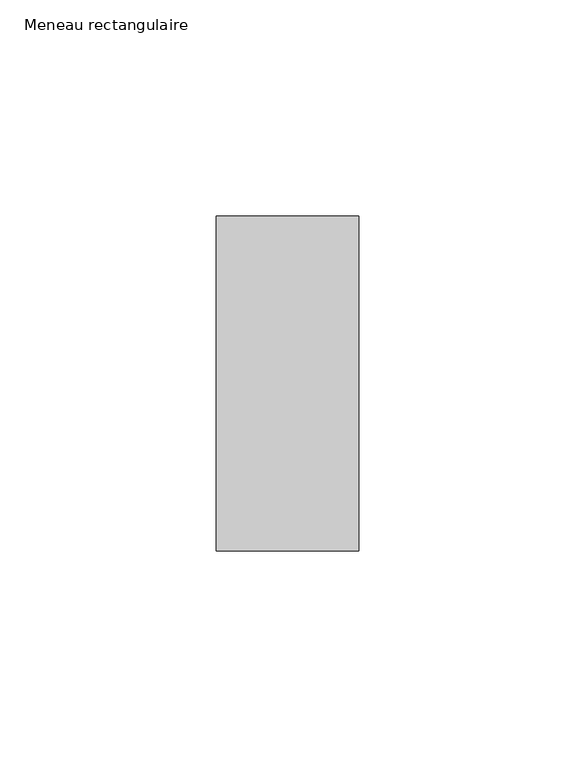
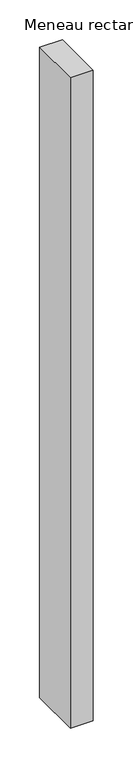
"""IFC4 building model written with IfcOpenShell, lengths in millimetres: member geometry, Meneau rectangulaire."""

import ifcopenshell
import ifcopenshell.guid

model = None  # the IFC model being written
_history = None  # IfcOwnerHistory: only IFC2X3 demands one
_inside = {}  # id of a spatial element -> (the spatial element, [elements in it])
_under = {}  # id of a project, library or spatial element -> (it, [spatial elements below it])
_declared = {}  # id of a project -> (the project, [libraries it declares])
_typed = {}  # id of a type object -> (the type object, [elements of that type])
_made_of = {}  # id of a material, layer set ... -> (it, [elements and type objects made of it])


def new_model(schema):
    """Start an empty IFC model of exactly this schema.

    Asked for "IFC4X3", IfcOpenShell would pick the latest addendum, in which some entities
    have other attributes; the version numbers below select the first issue.
    IFC2X3 requires an IfcOwnerHistory on every rooted entity: one is made here for all.
    """
    global model, _history
    if schema == "IFC4X3":
        model = ifcopenshell.file(schema_version=(4, 3, 0, 0))
    else:
        model = ifcopenshell.file(schema=schema)
    _inside.clear()
    _under.clear()
    _declared.clear()
    _typed.clear()
    _made_of.clear()
    _history = None
    if model.schema == "IFC2X3":
        org = make("IfcOrganization", Name="unknown")
        user = make(
            "IfcPersonAndOrganization",
            ThePerson=make("IfcPerson", FamilyName="unknown"),
            TheOrganization=org,
        )
        app = make(
            "IfcApplication",
            ApplicationDeveloper=org,
            Version="unknown",
            ApplicationFullName="unknown",
            ApplicationIdentifier="unknown",
        )
        _history = make(
            "IfcOwnerHistory",
            OwningUser=user,
            OwningApplication=app,
            ChangeAction="ADDED",
            CreationDate=0,
        )
    return model


def make(cls, **values):
    """One entity of the class cls with the attributes given. An attribute that is None is left unset."""
    return model.create_entity(
        cls, **{name: value for name, value in values.items() if value is not None}
    )


def rooted(cls, **values):
    """An entity with a GlobalId (a new one), such as an element, a storey or a relation."""
    return make(cls, GlobalId=ifcopenshell.guid.new(), OwnerHistory=_history, **values)


def si_unit(unit_type, name, prefix=None):
    """IfcSIUnit, for example si_unit("LENGTHUNIT", "METRE", prefix="MILLI")."""
    return make("IfcSIUnit", UnitType=unit_type, Prefix=prefix, Name=name)


def assignment(units):
    """IfcUnitAssignment: the units of a project."""
    return None if units is None else make("IfcUnitAssignment", Units=units)


def point(xyz):
    """IfcCartesianPoint."""
    return None if xyz is None else make("IfcCartesianPoint", Coordinates=xyz)


def direction(xyz):
    """IfcDirection."""
    return None if xyz is None else make("IfcDirection", DirectionRatios=xyz)


def frame(location, z_axis=None, x_axis=None):
    """IfcAxis2Placement3D, a coordinate frame: its origin and axes. An axis left out is left unset."""
    return make(
        "IfcAxis2Placement3D",
        Location=point(location),
        Axis=direction(z_axis),
        RefDirection=direction(x_axis),
    )


def origin():
    """The frame at (0, 0, 0) with its axes left unset."""
    return frame((0.0, 0.0, 0.0))


def place(relative_to, where):
    """IfcLocalPlacement: puts the frame where relative to a parent placement (None: the world)."""
    return make(
        "IfcLocalPlacement", PlacementRelTo=relative_to, RelativePlacement=where
    )


def context(
    kind, dimensions, precision=None, world=None, true_north=None, identifier=None
):
    """IfcGeometricRepresentationContext, for example the 3D "Model" context."""
    return make(
        "IfcGeometricRepresentationContext",
        ContextIdentifier=identifier,
        ContextType=kind,
        CoordinateSpaceDimension=dimensions,
        Precision=precision,
        WorldCoordinateSystem=world,
        TrueNorth=true_north,
    )


def project(units=None, contexts=None):
    """IfcProject with its units and contexts."""
    return rooted(
        "IfcProject",
        Name="project",
        RepresentationContexts=contexts,
        UnitsInContext=assignment(units),
    )


def spatial(cls, under=None, at=None, **own):
    """A site, building, storey or space (cls), placed at a placement, below another one or the project."""
    s = rooted(cls, ObjectPlacement=at, **own)
    if under is not None:
        _under.setdefault(under.id(), (under, []))[1].append(s)
    return s


def polyline(points):
    """IfcPolyline through the points."""
    return make("IfcPolyline", Points=[point(p) for p in points])


def outline(outer, holes=None, kind="AREA"):
    """IfcArbitraryClosedProfileDef: a profile drawn as a closed curve; with holes, ...WithVoids."""
    if holes is None:
        return make("IfcArbitraryClosedProfileDef", ProfileType=kind, OuterCurve=outer)
    return make(
        "IfcArbitraryProfileDefWithVoids",
        ProfileType=kind,
        OuterCurve=outer,
        InnerCurves=holes,
    )


def extrude(swept, where, along, depth):
    """IfcExtrudedAreaSolid: the profile swept, set in the frame where, extruded along a direction by depth."""
    return make(
        "IfcExtrudedAreaSolid",
        SweptArea=swept,
        Position=where,
        ExtrudedDirection=direction(along),
        Depth=depth,
    )


def shape(context_of_items, identifier, shape_type, items):
    """IfcShapeRepresentation: the items that make up one representation, for example the "Body"."""
    return make(
        "IfcShapeRepresentation",
        ContextOfItems=context_of_items,
        RepresentationIdentifier=identifier,
        RepresentationType=shape_type,
        Items=items,
    )


def source(mapping_origin, context_of_items, identifier, shape_type, items):
    """IfcRepresentationMap: a shape defined once, which mapped items show again and again."""
    return make(
        "IfcRepresentationMap",
        MappingOrigin=mapping_origin,
        MappedRepresentation=shape(context_of_items, identifier, shape_type, items),
    )


def transform(
    local_origin,
    x_axis=None,
    y_axis=None,
    z_axis=None,
    scale=None,
    scale2=None,
    scale3=None,
    uniform=True,
):
    """IfcCartesianTransformationOperator3D, or its non-uniform kind. x_axis, y_axis, z_axis: its Axis1, 2, 3."""
    if uniform:
        return make(
            "IfcCartesianTransformationOperator3D",
            Axis1=direction(x_axis),
            Axis2=direction(y_axis),
            LocalOrigin=point(local_origin),
            Scale=scale,
            Axis3=direction(z_axis),
        )
    return make(
        "IfcCartesianTransformationOperator3DnonUniform",
        Axis1=direction(x_axis),
        Axis2=direction(y_axis),
        LocalOrigin=point(local_origin),
        Scale=scale,
        Axis3=direction(z_axis),
        Scale2=scale2,
        Scale3=scale3,
    )


def mapped(mapping_source, mapping_target):
    """IfcMappedItem: shows the shape of a source again, moved by a transform."""
    return make(
        "IfcMappedItem", MappingSource=mapping_source, MappingTarget=mapping_target
    )


def made_of(thing, what):
    """Note that an element or type object is made of a material, layer set ...; save() writes the relation."""
    if what is not None:
        _made_of.setdefault(what.id(), (what, []))[1].append(thing)
    return thing


def element(
    cls,
    number,
    at=None,
    inside=None,
    cuts=None,
    type_object=None,
    material=None,
    context=None,
    identifier="Body",
    shape_type=None,
    held_by="IfcProductDefinitionShape",
    body=None,
    shapes=None,
    **own,
):
    """One element of the class cls, such as IfcWall. Its Tag is "e" and its number.

    at: its placement. inside: the storey or other place that contains it. cuts: it is an
    opening in that element (IfcRelVoidsElement). A single representation is given by context,
    identifier, shape_type and body (its items); several are given by shapes. held_by: the class
    of the entity that holds the representations. save() writes the other relations.
    """
    e = rooted(cls, Tag="e%d" % number, ObjectPlacement=at, **own)
    if body is not None:
        shapes = [shape(context, identifier, shape_type, body)]
    if shapes is not None:
        e.Representation = make(held_by, Representations=shapes)
    if inside is not None:
        _inside.setdefault(inside.id(), (inside, []))[1].append(e)
    if cuts is not None:
        rooted(
            "IfcRelVoidsElement", RelatingBuildingElement=cuts, RelatedOpeningElement=e
        )
    if type_object is not None:
        _typed.setdefault(type_object.id(), (type_object, []))[1].append(e)
    return made_of(e, material)


def aggregate(whole, parts):
    """IfcRelAggregates: a whole, such as a stair, and the parts it consists of."""
    return rooted("IfcRelAggregates", RelatingObject=whole, RelatedObjects=parts)


def save(model, path):
    """Write the relations noted so far, then the file.

    IfcRelAggregates (storeys below a building ...), IfcRelContainedInSpatialStructure (elements
    in a storey), IfcRelDefinesByType, IfcRelAssociatesMaterial and IfcRelDeclares: one each for
    every whole, place, type object, material and project.
    """
    for whole, parts in _under.values():
        aggregate(whole, parts)
    for where, things in _inside.values():
        rooted(
            "IfcRelContainedInSpatialStructure",
            RelatedElements=things,
            RelatingStructure=where,
        )
    for kind, things in _typed.values():
        rooted("IfcRelDefinesByType", RelatedObjects=things, RelatingType=kind)
    for what, things in _made_of.values():
        rooted("IfcRelAssociatesMaterial", RelatedObjects=things, RelatingMaterial=what)
    for by, libraries in _declared.values():
        rooted("IfcRelDeclares", RelatingContext=by, RelatedDefinitions=libraries)
    model.write(path)


def meneau_rectangulaire_cc5b0bc2(model_context):
    return source(origin(), model_context, "Body", "SweptSolid", [
        extrude(outline(polyline([(0.0, 38.75), (0.0, -38.75), (-33.0, -38.75), (-33.0, 38.75), (0.0, 38.75)])), frame((0.0, 0.0, -997.1707161), z_axis=(0.0, 0.0, 1.0), x_axis=(1.0, 0.0, 0.0)), (0.0, 0.0, 1.0), 997.1707161),
    ])


if __name__ == "__main__":
    model = new_model("IFC4")
    model_context = context("Model", 3, world=origin())
    ifc_project = project(units=[si_unit("LENGTHUNIT", "METRE", prefix="MILLI")], contexts=[model_context])
    site = spatial("IfcSite", under=ifc_project)
    building = spatial("IfcBuilding", under=site)
    placement = place(None, origin())
    meneau_rectangulaire_shape = meneau_rectangulaire_cc5b0bc2(model_context)
    element("IfcMember", 1, ObjectType="Meneau rectangulaire", at=placement, inside=building, context=model_context, shape_type="MappedRepresentation", body=[
        mapped(meneau_rectangulaire_shape, transform((0.0, 0.0, 0.0), x_axis=(1.0, 0.0, 0.0), y_axis=(0.0, 1.0, 0.0), z_axis=(0.0, 0.0, 1.0))),
    ])
    save(model, "model.ifc")
